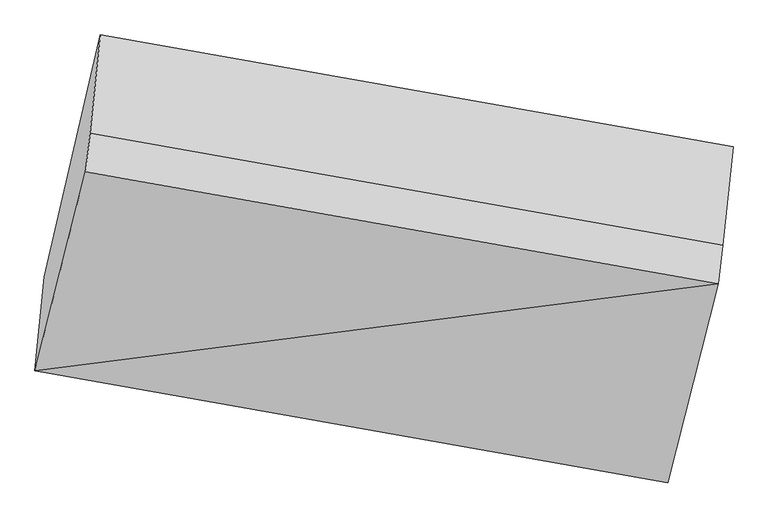
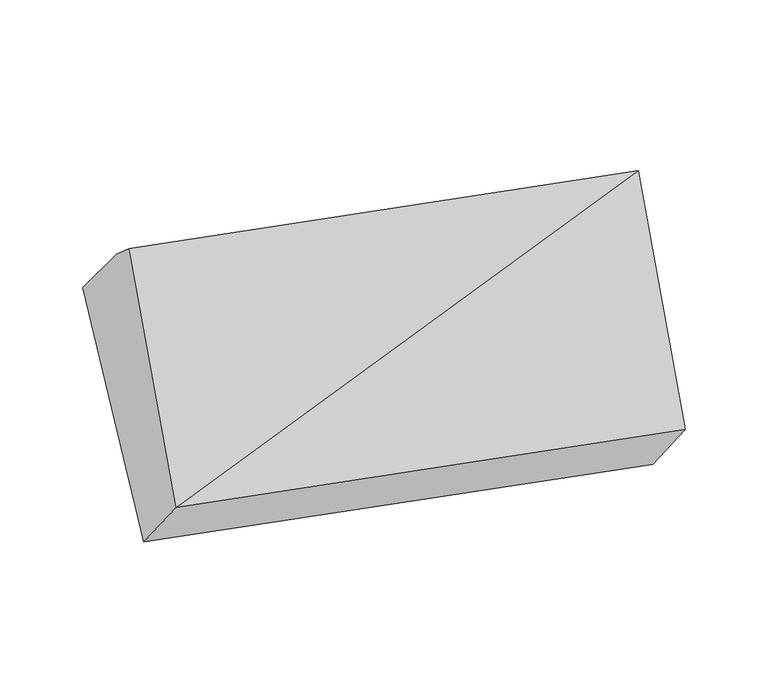
"""IFC4 building model written with IfcOpenShell, lengths in millimetres: proxy geometry."""

from ifc_helpers import new_model, si_unit, origin, place, context, project, spatial, faceted_brep, source, transform, mapped, element, save


def generic_models_f1491ba2(model_context):
    return source(origin(), model_context, "Body", "Brep", [
        faceted_brep([(-3855.8418777, -1760.0586721, 1784.6082593), (-3828.5455156, -1489.0172661, 1465.6380925), (-2011.766801, -1810.3521518, 1348.0609226), (-2039.0631631, -2081.3935577, 1667.0310893), (-3710.6993176, -1188.0940652, 2464.1596743), (-1893.920603, -1509.4289508, 2346.5825044), (-3697.3736535, -1077.7188167, 2368.412899), (-1880.5949389, -1399.0537023, 2250.8357291), (-3668.1494827, -795.3694561, 2048.3265412), (-1851.3707681, -1116.7043417, 1930.7493713)], [[[0, 1, 2, 3]], [[4, 0, 5]], [[6, 4, 5, 7]], [[8, 6, 7, 9]], [[1, 8, 9, 2]], [[7, 5, 3, 2, 9]], [[1, 0, 4, 6, 8]], [[3, 5, 0]]]),
    ])


if __name__ == "__main__":
    model = new_model("IFC4")
    model_context = context("Model", 3, world=origin())
    ifc_project = project(units=[si_unit("LENGTHUNIT", "METRE", prefix="MILLI")], contexts=[model_context])
    site = spatial("IfcSite", under=ifc_project)
    building = spatial("IfcBuilding", under=site)
    placement = place(None, origin())
    generic_models_shape = generic_models_f1491ba2(model_context)
    element("IfcBuildingElementProxy", 1, Name="Generic Models", at=placement, inside=building, context=model_context, shape_type="MappedRepresentation", body=[
        mapped(generic_models_shape, transform((0.0, 0.0, 0.0), x_axis=(1.0, 0.0, 0.0), y_axis=(0.0, 1.0, 0.0), z_axis=(0.0, 0.0, 1.0))),
    ])
    save(model, "model.ifc")
